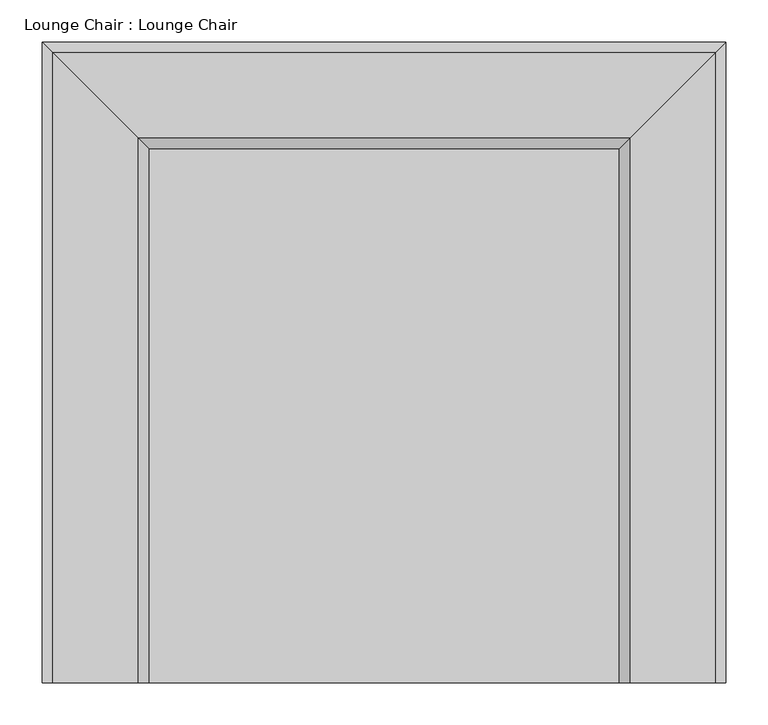
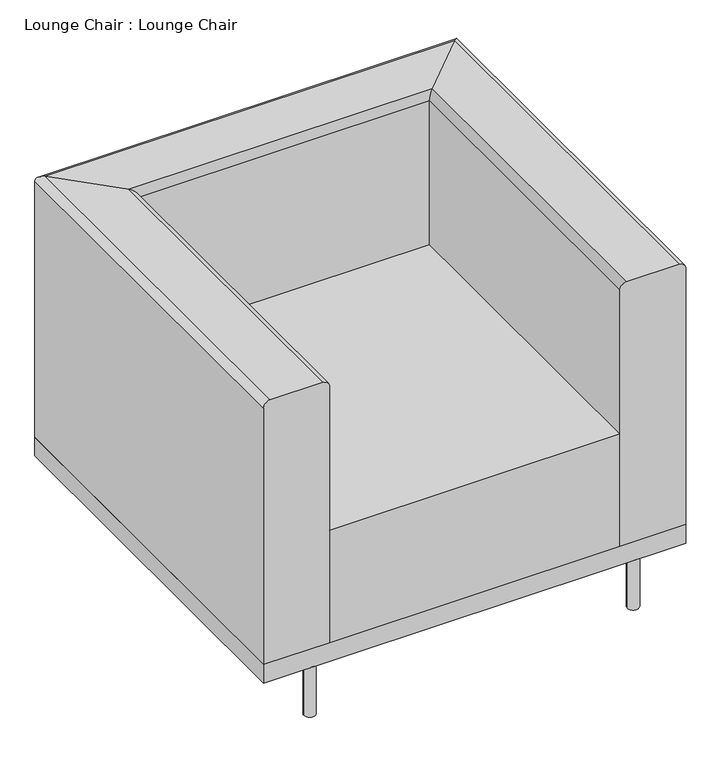
"""IFC4 building model written with IfcOpenShell, lengths in millimetres: furniture geometry, Lounge Chair : Lounge Chair."""

from ifc_helpers import new_model, si_unit, point, frame, frame_2d, origin, origin_with_axes, place, context, project, spatial, polyline, circle_curve, ellipse_curve, trimmed, segment, composite_curve, outline, extrude, source, transform, mapped, element, save
from ifc_brep_helpers import plane_surface, cylinder_surface, advanced_brep


def lounge_chair_lounge_chair_68a865a6(model_context):
    return source(origin(), model_context, "Body", "SolidModel", [
        extrude(outline(composite_curve([segment(trimmed(circle_curve(frame_2d((884.5237705, 836.6645492)), 11.1125), [point((895.6362705, 836.6645492))], [point((873.4112705, 836.6645492))], False, "CARTESIAN"), True, "CONTINUOUS"), segment(trimmed(circle_curve(frame_2d((884.5237705, 836.6645492)), 11.1125), [point((873.4112705, 836.6645492))], [point((895.6362705, 836.6645492))], False, "CARTESIAN"), True, "CONTINUOUS")], self_intersect=False)), origin_with_axes(), (0.0, 0.0, 1.0), 101.6),
        extrude(outline(composite_curve([segment(trimmed(circle_curve(frame_2d((262.2237705, 836.6645492)), 11.1125), [point((273.3362705, 836.6645492))], [point((251.1112705, 836.6645492))], False, "CARTESIAN"), True, "CONTINUOUS"), segment(trimmed(circle_curve(frame_2d((262.2237705, 836.6645492)), 11.1125), [point((251.1112705, 836.6645492))], [point((273.3362705, 836.6645492))], False, "CARTESIAN"), True, "CONTINUOUS")], self_intersect=False)), origin_with_axes(), (0.0, 0.0, 1.0), 101.6),
        advanced_brep(
        [(166.9737705, 85.7770492, 139.7), (293.9737705, 85.7770492, 139.7), (293.9737705, 85.7770492, 660.4), (281.2737705, 85.7770492, 673.1), (179.6737705, 85.7770492, 673.1), (166.9737705, 85.7770492, 660.4), (166.9737705, 847.7770492, 139.7), (293.9737705, 720.7770492, 139.7), (293.9737705, 720.7770492, 660.4), (281.2737705, 733.4770492, 673.1), (179.6737705, 835.0770492, 673.1), (166.9737705, 847.7770492, 660.4), (979.7737705, 847.7770492, 139.7), (852.7737705, 720.7770492, 139.7), (852.7737705, 720.7770492, 660.4), (865.4737705, 733.4770492, 673.1), (967.0737705, 835.0770492, 673.1), (979.7737705, 847.7770492, 660.4), (979.7737705, 85.7770492, 139.7), (979.7737705, 85.7770492, 660.4), (967.0737705, 85.7770492, 673.1), (865.4737705, 85.7770492, 673.1), (852.7737705, 85.7770492, 660.4), (852.7737705, 85.7770492, 139.7)],
        [
            (0, 1),
            (1, 2),
            (2, 3, circle_curve(frame((281.2737705, 85.7770492, 660.4), z_axis=(0.0, -1.0, 0.0), x_axis=(-1.0, 0.0, 0.0)), 12.7)),
            (3, 4),
            (4, 5, circle_curve(frame((179.6737705, 85.7770492, 660.4), z_axis=(0.0, -1.0, 0.0), x_axis=(-1.0, 0.0, 0.0)), 12.7)),
            (5, 0),
            (0, 6),
            (6, 7),
            (7, 1),
            (7, 8),
            (8, 2),
            (8, 9, ellipse_curve(frame((281.2737705, 733.4770492, 660.4), z_axis=(-0.7071067811865475, -0.7071067811865475, 0.0), x_axis=(0.7071067811865474, -0.7071067811865476, 0.0)), 17.9605122, 12.7)),
            (9, 3),
            (9, 10),
            (10, 4),
            (10, 11, ellipse_curve(frame((179.6737705, 835.0770492, 660.4), z_axis=(-0.7071067811865475, -0.7071067811865475, 0.0), x_axis=(0.7071067811865474, -0.7071067811865476, 0.0)), 17.9605122, 12.7)),
            (11, 5),
            (11, 6),
            (6, 12),
            (12, 13),
            (13, 7),
            (13, 14),
            (14, 8),
            (14, 15, ellipse_curve(frame((865.4737705, 733.4770492, 660.4), z_axis=(-0.7071067811865475, 0.7071067811865475, 0.0), x_axis=(-0.7071067811865476, -0.7071067811865474, 0.0)), 17.9605122, 12.7)),
            (15, 9),
            (15, 16),
            (16, 10),
            (16, 17, ellipse_curve(frame((967.0737705, 835.0770492, 660.4), z_axis=(-0.7071067811865475, 0.7071067811865475, 0.0), x_axis=(-0.7071067811865476, -0.7071067811865474, 0.0)), 17.9605122, 12.7)),
            (17, 11),
            (17, 12),
            (18, 19),
            (19, 20, circle_curve(frame((967.0737705, 85.7770492, 660.4), z_axis=(0.0, -1.0, 0.0), x_axis=(1.0, 0.0, 0.0)), 12.7)),
            (20, 21),
            (21, 22, circle_curve(frame((865.4737705, 85.7770492, 660.4), z_axis=(0.0, -1.0, 0.0), x_axis=(1.0, 0.0, 0.0)), 12.7)),
            (22, 23),
            (23, 18),
            (12, 18),
            (23, 13),
            (22, 14),
            (21, 15),
            (20, 16),
            (19, 17),
        ],
        [
            plane_surface(frame((-515.7619763, 85.7770492, 0.0), z_axis=(0.0, -1.0, 0.0), x_axis=(0.0, 0.0, 1.0))),
            plane_surface(frame((166.9737705, 85.7770492, 139.7), z_axis=(0.0, 0.0, -1.0), x_axis=(0.0, 1.0, 0.0))),
            plane_surface(frame((293.9737705, 85.7770492, 139.7), z_axis=(1.0, 0.0, 0.0), x_axis=(0.0, 1.0, 0.0))),
            cylinder_surface(frame((281.2737705, 85.7770492, 660.4), z_axis=(0.0, -1.0, 0.0), x_axis=(-1.0, 0.0, 0.0)), 12.7),
            plane_surface(frame((281.2737705, 85.7770492, 673.1), z_axis=(0.0, 0.0, 1.0), x_axis=(0.0, 1.0, 0.0))),
            cylinder_surface(frame((179.6737705, 85.7770492, 660.4), z_axis=(0.0, -1.0, 0.0), x_axis=(-1.0, 0.0, 0.0)), 12.7),
            plane_surface(frame((166.9737705, 85.7770492, 660.4), z_axis=(-1.0, 0.0, 0.0), x_axis=(0.0, 1.0, 0.0))),
            plane_surface(frame((166.9737705, 847.7770492, 139.7), z_axis=(0.0, 0.0, -1.0), x_axis=(1.0, 0.0, 0.0))),
            plane_surface(frame((293.9737705, 720.7770492, 139.7), z_axis=(0.0, -1.0, 0.0), x_axis=(1.0, 0.0, 0.0))),
            cylinder_surface(frame((166.9737705, 733.4770492, 660.4), z_axis=(-1.0, 0.0, 0.0), x_axis=(0.0, 1.0, 0.0)), 12.7),
            plane_surface(frame((281.2737705, 733.4770492, 673.1), z_axis=(0.0, 0.0, 1.0), x_axis=(1.0, 0.0, 0.0))),
            cylinder_surface(frame((166.9737705, 835.0770492, 660.4), z_axis=(-1.0, 0.0, 0.0), x_axis=(0.0, 1.0, 0.0)), 12.7),
            plane_surface(frame((166.9737705, 847.7770492, 660.4), z_axis=(0.0, 1.0, 0.0), x_axis=(1.0, 0.0, 0.0))),
            plane_surface(frame((297.0380237, 85.7770492, 0.0), z_axis=(0.0, -1.0, 0.0), x_axis=(0.0, 0.0, -1.0))),
            plane_surface(frame((979.7737705, 847.7770492, 139.7), z_axis=(0.0, 0.0, -1.0), x_axis=(0.0, -1.0, 0.0))),
            plane_surface(frame((852.7737705, 720.7770492, 139.7), z_axis=(-1.0, 0.0, 0.0), x_axis=(0.0, -1.0, 0.0))),
            cylinder_surface(frame((865.4737705, 847.7770492, 660.4), z_axis=(0.0, 1.0, 0.0), x_axis=(1.0, 0.0, 0.0)), 12.7),
            plane_surface(frame((865.4737705, 733.4770492, 673.1), z_axis=(0.0, 0.0, 1.0), x_axis=(0.0, -1.0, 0.0))),
            cylinder_surface(frame((967.0737705, 847.7770492, 660.4), z_axis=(0.0, 1.0, 0.0), x_axis=(1.0, 0.0, 0.0)), 12.7),
            plane_surface(frame((979.7737705, 847.7770492, 660.4), z_axis=(1.0, 0.0, 0.0), x_axis=(0.0, -1.0, 0.0))),
        ],
        [
            (0, [[1, 2, 3, 4, 5, 6]]),
            (1, [[-1, 7, 8, 9]]),
            (2, [[-2, -9, 10, 11]]),
            (3, [[-3, -11, 12, 13]]),
            (4, [[-4, -13, 14, 15]]),
            (5, [[-5, -15, 16, 17]]),
            (6, [[-6, -17, 18, -7]]),
            (7, [[-8, 19, 20, 21]]),
            (8, [[-10, -21, 22, 23]]),
            (9, [[-12, -23, 24, 25]]),
            (10, [[-14, -25, 26, 27]]),
            (11, [[-16, -27, 28, 29]]),
            (12, [[-18, -29, 30, -19]]),
            (13, [[31, 32, 33, 34, 35, 36]]),
            (14, [[-20, 37, -36, 38]]),
            (15, [[-22, -38, -35, 39]]),
            (16, [[-24, -39, -34, 40]]),
            (17, [[-26, -40, -33, 41]]),
            (18, [[-28, -41, -32, 42]]),
            (19, [[-30, -42, -31, -37]]),
        ],
    ),
        extrude(outline(composite_curve([segment(trimmed(circle_curve(frame_2d((884.5237705, 96.8895492)), 11.1125), [point((895.6362705, 96.8895492))], [point((873.4112705, 96.8895492))], False, "CARTESIAN"), True, "CONTINUOUS"), segment(trimmed(circle_curve(frame_2d((884.5237705, 96.8895492)), 11.1125), [point((873.4112705, 96.8895492))], [point((895.6362705, 96.8895492))], False, "CARTESIAN"), True, "CONTINUOUS")], self_intersect=False)), origin_with_axes(), (0.0, 0.0, 1.0), 101.6),
        extrude(outline(composite_curve([segment(trimmed(circle_curve(frame_2d((262.2237705, 96.8895492)), 11.1125), [point((273.3362705, 96.8895492))], [point((251.1112705, 96.8895492))], False, "CARTESIAN"), True, "CONTINUOUS"), segment(trimmed(circle_curve(frame_2d((262.2237705, 96.8895492)), 11.1125), [point((251.1112705, 96.8895492))], [point((273.3362705, 96.8895492))], False, "CARTESIAN"), True, "CONTINUOUS")], self_intersect=False)), origin_with_axes(), (0.0, 0.0, 1.0), 101.6),
        extrude(outline(polyline([(852.7737705, 720.7770492), (852.7737705, 85.7770492), (293.9737705, 85.7770492), (293.9737705, 720.7770492), (852.7737705, 720.7770492)])), frame((0.0, 0.0, 139.7), z_axis=(0.0, 0.0, 1.0), x_axis=(1.0, 0.0, 0.0)), (0.0, 0.0, 1.0), 228.6),
        extrude(outline(polyline([(979.7737705, 847.7770492), (979.7737705, 85.7770492), (166.9737705, 85.7770492), (166.9737705, 847.7770492), (979.7737705, 847.7770492)])), frame((0.0, 0.0, 101.6), z_axis=(0.0, 0.0, 1.0), x_axis=(1.0, 0.0, 0.0)), (0.0, 0.0, 1.0), 38.1),
    ])


if __name__ == "__main__":
    model = new_model("IFC4")
    model_context = context("Model", 3, world=origin())
    ifc_project = project(units=[si_unit("LENGTHUNIT", "METRE", prefix="MILLI")], contexts=[model_context])
    site = spatial("IfcSite", under=ifc_project)
    building = spatial("IfcBuilding", under=site)
    placement = place(None, origin())
    lounge_chair_lounge_chair_shape = lounge_chair_lounge_chair_68a865a6(model_context)
    element("IfcFurniture", 1, ObjectType="Lounge Chair : Lounge Chair", at=placement, inside=building, context=model_context, shape_type="MappedRepresentation", body=[
        mapped(lounge_chair_lounge_chair_shape, transform((0.0, 0.0, 0.0), x_axis=(1.0, 0.0, 0.0), y_axis=(0.0, 1.0, 0.0), z_axis=(0.0, 0.0, 1.0))),
    ])
    save(model, "model.ifc")
